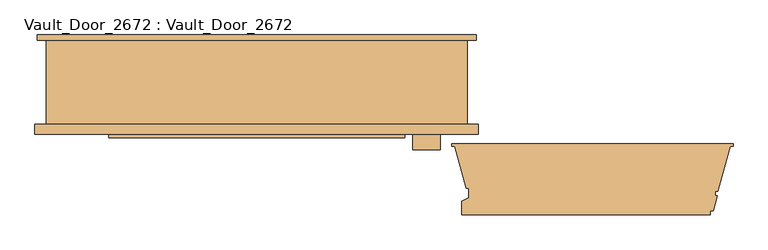
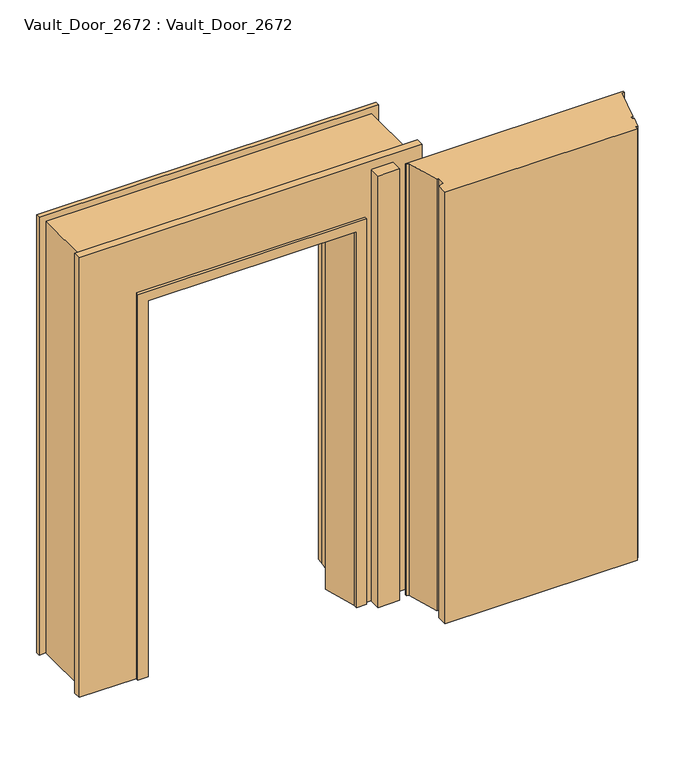
"""IFC4 building model written with IfcOpenShell, lengths in millimetres: door geometry, Vault_Door_2672 : Vault_Door_2672."""

from ifc_helpers import new_model, si_unit, origin, origin_with_axes, place, context, project, spatial, polyline, outline, extrude, faceted_brep, source, transform, mapped, element, save


def vault_door_2672_vault_door_2672_9301729d(model_context):
    return source(origin(), model_context, "Body", "SolidModel", [
        faceted_brep([(-802.48125, -188.200143, 0.0), (-802.48125, -152.4, 0.0), (-762.0, -152.4, 0.0), (-762.0, 152.4, 0.0), (-794.127825, 152.4, 0.0), (-794.127825, 171.45, 0.0), (-524.252825, 171.45, 0.0), (-524.252825, 146.05, 0.0), (-501.8876213, -24.687643, 0.0), (-444.5403094, -24.687643, 0.0), (-488.1331465, -181.850143, 0.0), (-488.1331465, -200.900143, 0.0), (-535.492325, -200.900143, 0.0), (-535.492325, -188.200143, 0.0), (-802.48125, -188.200143, 2174.08125), (-802.48125, -152.4, 2174.08125), (802.48125, -152.4, 2174.08125), (802.48125, -152.4, 0.0), (762.0, -152.4, 0.0), (762.0, -152.4, 2133.6), (-762.0, -152.4, 2133.6), (-762.0, 152.4, 2133.6), (762.0, 152.4, 2133.6), (762.0, 152.4, 0.0), (794.127825, 152.4, 0.0), (794.127825, 152.4, 2165.727825), (-794.127825, 152.4, 2165.727825), (-794.127825, 171.45, 2165.727825), (794.127825, 171.45, 2165.727825), (794.127825, 171.45, 0.0), (524.252825, 171.45, 0.0), (524.252825, 171.45, 1895.852825), (-524.252825, 171.45, 1895.852825), (-524.252825, 146.05, 1895.852825), (-501.8876213, -24.687643, 1873.4876213), (501.8876213, -24.687643, 1873.4876213), (501.8876213, -24.687643, 0.0), (444.5403094, -24.687643, 0.0), (444.5403094, -24.687643, 1816.1403094), (-444.5403094, -24.687643, 1816.1403094), (-488.1331465, -181.850143, 1859.7331465), (-488.1331465, -200.900143, 1859.7331465), (488.1331465, -200.900143, 1859.7331465), (488.1331465, -200.900143, 0.0), (535.492325, -200.900143, 0.0), (535.492325, -200.900143, 1907.092325), (-535.492325, -200.900143, 1907.092325), (-535.492325, -188.200143, 1907.092325), (535.492325, -188.200143, 1907.092325), (535.492325, -188.200143, 0.0), (802.48125, -188.200143, 0.0), (802.48125, -188.200143, 2174.08125), (488.1331465, -181.850143, 0.0), (524.252825, 146.05, 0.0), (524.252825, 146.05, 1895.852825), (488.1331465, -181.850143, 1859.7331465)], [[[0, 1, 2, 3, 4, 5, 6, 7, 8, 9, 10, 11, 12, 13]], [[1, 0, 14, 15]], [[2, 1, 15, 16, 17, 18, 19, 20]], [[3, 2, 20, 21]], [[4, 3, 21, 22, 23, 24, 25, 26]], [[5, 4, 26, 27]], [[6, 5, 27, 28, 29, 30, 31, 32]], [[7, 6, 32, 33]], [[8, 7, 33, 34]], [[9, 8, 34, 35, 36, 37, 38, 39]], [[10, 9, 39, 40]], [[11, 10, 40, 41]], [[12, 11, 41, 42, 43, 44, 45, 46]], [[13, 12, 46, 47]], [[0, 13, 47, 48, 49, 50, 51, 14]], [[16, 51, 50, 17]], [[50, 49, 44, 43, 52, 37, 36, 53, 30, 29, 24, 23, 18, 17]], [[22, 19, 18, 23]], [[28, 25, 24, 29]], [[54, 31, 30, 53]], [[35, 54, 53, 36]], [[55, 38, 37, 52]], [[42, 55, 52, 43]], [[48, 45, 44, 49]], [[15, 14, 51, 16]], [[21, 20, 19, 22]], [[27, 26, 25, 28]], [[33, 32, 31, 54]], [[34, 33, 54, 35]], [[40, 39, 38, 55]], [[41, 40, 55, 42]], [[47, 46, 45, 48]]]),
        extrude(outline(polyline([(664.765625, -243.675), (564.3948039, -243.675), (564.3948039, -89.6875), (664.765625, -89.6875), (664.765625, -243.675)])), origin_with_axes(), (0.0, 0.0, 1.0), 2133.6),
        extrude(outline(polyline([(1724.1709293, -222.640625), (1724.1709293, -230.578125), (1713.0584293, -230.578125), (1669.245387, -394.090625), (1659.434825, -394.090625), (1659.434825, -409.9679333), (1667.372325, -409.9679333), (1652.58115, -465.16935), (1642.2624, -465.16935), (1642.2624, -478.520225), (742.3531, -478.520225), (742.3531, -430.1325599), (766.8133, -418.1267857), (766.8133, -383.3056039), (758.518859, -383.3056039), (717.5956544, -230.578125), (705.64375, -230.578125), (705.64375, -222.640625), (1724.1709293, -222.640625)])), origin_with_axes(), (0.0, 0.0, 1.0), 2133.6),
    ])


if __name__ == "__main__":
    model = new_model("IFC4")
    model_context = context("Model", 3, world=origin())
    ifc_project = project(units=[si_unit("LENGTHUNIT", "METRE", prefix="MILLI")], contexts=[model_context])
    site = spatial("IfcSite", under=ifc_project)
    building = spatial("IfcBuilding", under=site)
    placement = place(None, origin())
    vault_door_2672_vault_door_2672_shape = vault_door_2672_vault_door_2672_9301729d(model_context)
    element("IfcDoor", 1, ObjectType="Vault_Door_2672 : Vault_Door_2672", at=placement, inside=building, context=model_context, shape_type="MappedRepresentation", body=[
        mapped(vault_door_2672_vault_door_2672_shape, transform((0.0, 0.0, 0.0), x_axis=(1.0, 0.0, 0.0), y_axis=(0.0, 1.0, 0.0), z_axis=(0.0, 0.0, 1.0))),
    ])
    save(model, "model.ifc")
